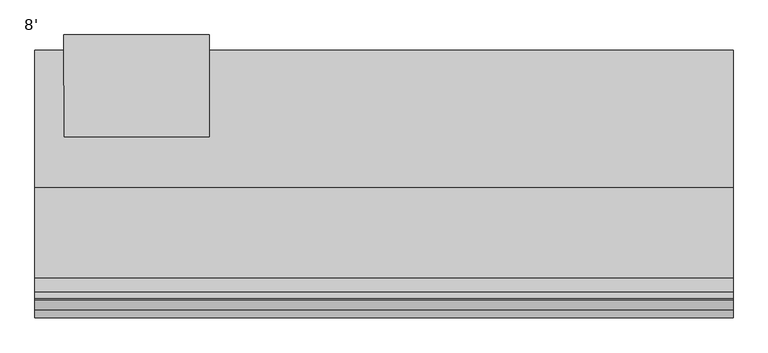
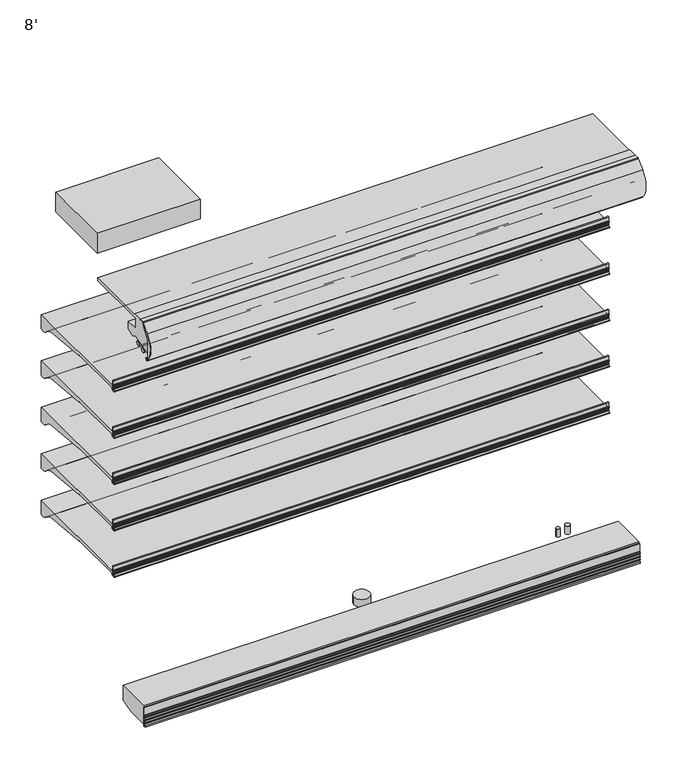
"""IFC4 building model written with IfcOpenShell, lengths in millimetres: proxy geometry, 8'."""

from ifc_helpers import new_model, si_unit, point, frame, frame_2d, origin, place, context, project, spatial, polyline, circle_curve, trimmed, segment, composite_curve, outline, extrude, source, transform, mapped, element, save
from ifc_brep_helpers import plane_surface, cylinder_surface, advanced_brep


def proxy_8_d1885329(model_context):
    return source(origin(), model_context, "Body", "SolidModel", [
        extrude(outline(composite_curve([segment(polyline([(-1166.6809512, 673.3590118), (-1166.6809512, 627.2869913), (-1172.3025077, 627.2869913), (-1172.3025077, 673.3590118)]), True, "CONTINUOUS"), segment(trimmed(circle_curve(frame_2d((-1169.4917294, 673.3590118)), 2.8107783), [point((-1172.3025077, 673.3590118))], [point((-1166.6809512, 673.3590118))], False, "CARTESIAN"), True, "CONTINUOUS")], self_intersect=False)), frame((0.0, 0.0, 0.0), z_axis=(1.0, 0.0, 0.0), x_axis=(0.0, 1.0, 0.0)), (0.0, 0.0, 1.0), 2438.4),
        extrude(outline(composite_curve([segment(trimmed(circle_curve(frame_2d((-1163.4504929, 651.4868368)), 1.9280539), [point((-1161.7517309, 652.3987576))], [point((-1165.331757, 651.9090184))], True, "CARTESIAN"), True, "CONTINUOUS"), segment(polyline([(-1165.331757, 651.9090184), (-1165.250252, 627.491416)]), True, "CONTINUOUS"), segment(trimmed(circle_curve(frame_2d((-1163.3310491, 627.4978222)), 1.9192136), [point((-1165.250252, 627.491416))], [point((-1161.7034586, 626.4808021))], True, "CARTESIAN"), True, "CONTINUOUS"), segment(polyline([(-1161.7034586, 626.4808021), (-1160.7655732, 628.4261116), (-1159.7610244, 628.067256), (-1160.5780157, 625.7802423)]), True, "CONTINUOUS"), segment(trimmed(circle_curve(frame_2d((-1163.9150962, 626.6263023)), 3.4426623), [point((-1160.5780157, 625.7802423))], [point((-1163.425503, 623.2186312))], False, "CARTESIAN"), True, "CONTINUOUS"), segment(polyline([(-1163.425503, 623.2186312), (-1175.1969589, 621.2859884)]), True, "CONTINUOUS"), segment(trimmed(circle_curve(frame_2d((-1176.0623556, 624.8178953)), 3.6363825), [point((-1175.1969589, 621.2859884))], [point((-1176.8707168, 621.2724997))], False, "CARTESIAN"), True, "CONTINUOUS"), segment(trimmed(circle_curve(frame_2d((-1175.662177, 627.6109197)), 6.4526069), [point((-1176.8707168, 621.2724997))], [point((-1181.8828486, 625.8964572))], False, "CARTESIAN"), True, "CONTINUOUS"), segment(trimmed(circle_curve(frame_2d((-1181.3604941, 626.058445)), 0.5468951), [point((-1181.8828486, 625.8964572))], [point((-1180.9789417, 626.450251))], False, "CARTESIAN"), True, "CONTINUOUS"), segment(polyline([(-1180.9789417, 626.450251), (-1180.476531, 624.9916703)]), True, "CONTINUOUS"), segment(trimmed(circle_curve(frame_2d((-1179.8915211, 625.193178)), 0.6187422), [point((-1180.476531, 624.9916703))], [point((-1179.2817387, 625.0882627))], True, "CARTESIAN"), True, "CONTINUOUS"), segment(trimmed(circle_curve(frame_2d((-1200.8573005, 639.2081773)), 25.7852062), [point((-1179.2817387, 625.0882627))], [point((-1175.8138409, 633.0679827))], True, "CARTESIAN"), True, "CONTINUOUS"), segment(trimmed(circle_curve(frame_2d((-1176.043253, 634.0002362)), 0.9600659), [point((-1175.8138409, 633.0679827))], [point((-1175.3385731, 634.6522736))], True, "CARTESIAN"), True, "CONTINUOUS"), segment(polyline([(-1175.3385731, 634.6522736), (-1174.9159447, 637.4202118)]), True, "CONTINUOUS"), segment(trimmed(circle_curve(frame_2d((-1175.2488063, 638.3116775)), 0.9515818), [point((-1174.9159447, 637.4202118))], [point((-1174.7299165, 639.1093373))], True, "CARTESIAN"), True, "CONTINUOUS"), segment(polyline([(-1174.7299165, 639.1093373), (-1174.6443367, 643.2740469), (-1173.8383813, 646.5265397), (-1174.6268164, 646.72591), (-1174.6268164, 651.4923226), (-1175.4872628, 651.4923226)]), True, "CONTINUOUS"), segment(trimmed(circle_curve(frame_2d((-1183.4029864, 648.5576543)), 8.4422129), [point((-1175.4872628, 651.4923226))], [point((-1177.4034441, 654.4970525))], True, "CARTESIAN"), True, "CONTINUOUS"), segment(trimmed(circle_curve(frame_2d((-1177.9034836, 654.120097)), 0.6262068), [point((-1177.4034441, 654.4970525))], [point((-1178.3956204, 654.507313))], True, "CARTESIAN"), True, "CONTINUOUS"), segment(polyline([(-1178.3956204, 654.507313), (-1178.9699684, 652.9277082)]), True, "CONTINUOUS"), segment(trimmed(circle_curve(frame_2d((-1179.4707304, 653.0647503)), 0.5191754), [point((-1178.9699684, 652.9277082))], [point((-1179.9893103, 653.0896108))], False, "CARTESIAN"), True, "CONTINUOUS"), segment(polyline([(-1179.9893103, 653.0896108), (-1179.6344995, 654.0659516), (-1179.0270967, 655.1476351)]), True, "CONTINUOUS"), segment(trimmed(circle_curve(frame_2d((-1177.9637464, 654.6690909)), 1.1660697), [point((-1179.0270967, 655.1476351))], [point((-1178.012063, 655.8341591))], False, "CARTESIAN"), True, "CONTINUOUS"), segment(polyline([(-1178.012063, 655.8341591), (-1172.4315975, 655.8341591), (-1172.7816684, 639.8794823)]), True, "CONTINUOUS"), segment(trimmed(circle_curve(frame_2d((-1204.7325475, 641.2071084)), 31.9784501), [point((-1172.7816684, 639.8794823))], [point((-1175.8839973, 627.4091948))], False, "CARTESIAN"), True, "CONTINUOUS"), segment(trimmed(circle_curve(frame_2d((-1173.5772773, 626.4881969)), 2.4837863), [point((-1175.8839973, 627.4091948))], [point((-1173.3647043, 624.0135238))], True, "CARTESIAN"), True, "CONTINUOUS"), segment(polyline([(-1173.3647043, 624.0135238), (-1168.8550638, 624.7374041)]), True, "CONTINUOUS"), segment(trimmed(circle_curve(frame_2d((-1169.2651209, 627.3013858)), 2.5965648), [point((-1168.8550638, 624.7374041))], [point((-1166.6809512, 627.0479772))], True, "CARTESIAN"), True, "CONTINUOUS"), segment(polyline([(-1166.6809512, 627.0479772), (-1166.6809512, 655.8555063), (-1163.974361, 655.8555063)]), True, "CONTINUOUS"), segment(trimmed(circle_curve(frame_2d((-1164.2104521, 652.5229101)), 3.3409484), [point((-1163.974361, 655.8555063))], [point((-1161.2402611, 654.0525838))], False, "CARTESIAN"), True, "CONTINUOUS"), segment(polyline([(-1161.2402611, 654.0525838), (-1160.0124559, 650.9106294), (-1161.016829, 650.5181429), (-1161.7517309, 652.3987576)]), True, "CONTINUOUS")], self_intersect=False)), frame((0.0, 0.0, 0.0), z_axis=(1.0, 0.0, 0.0), x_axis=(0.0, 1.0, 0.0)), (0.0, 0.0, 1.0), 2438.4),
        extrude(outline(composite_curve([segment(polyline([(-1166.6809512, 914.6590118), (-1166.6809512, 868.5869913), (-1172.3025077, 868.5869913), (-1172.3025077, 914.6590118)]), True, "CONTINUOUS"), segment(trimmed(circle_curve(frame_2d((-1169.4917294, 914.6590118)), 2.8107783), [point((-1172.3025077, 914.6590118))], [point((-1166.6809512, 914.6590118))], False, "CARTESIAN"), True, "CONTINUOUS")], self_intersect=False)), frame((0.0, 0.0, 0.0), z_axis=(1.0, 0.0, 0.0), x_axis=(0.0, 1.0, 0.0)), (0.0, 0.0, 1.0), 2438.4),
        extrude(outline(composite_curve([segment(trimmed(circle_curve(frame_2d((-1163.4504929, 892.7868368)), 1.9280539), [point((-1161.7517309, 893.6987576))], [point((-1165.331757, 893.2090184))], True, "CARTESIAN"), True, "CONTINUOUS"), segment(polyline([(-1165.331757, 893.2090184), (-1165.250252, 868.791416)]), True, "CONTINUOUS"), segment(trimmed(circle_curve(frame_2d((-1163.3310491, 868.7978222)), 1.9192136), [point((-1165.250252, 868.791416))], [point((-1161.7034586, 867.7808021))], True, "CARTESIAN"), True, "CONTINUOUS"), segment(polyline([(-1161.7034586, 867.7808021), (-1160.7655732, 869.7261116), (-1159.7610244, 869.367256), (-1160.5780157, 867.0802423)]), True, "CONTINUOUS"), segment(trimmed(circle_curve(frame_2d((-1163.9150962, 867.9263023)), 3.4426623), [point((-1160.5780157, 867.0802423))], [point((-1163.425503, 864.5186312))], False, "CARTESIAN"), True, "CONTINUOUS"), segment(polyline([(-1163.425503, 864.5186312), (-1175.1969589, 862.5859884)]), True, "CONTINUOUS"), segment(trimmed(circle_curve(frame_2d((-1176.0623556, 866.1178953)), 3.6363825), [point((-1175.1969589, 862.5859884))], [point((-1176.8707168, 862.5724997))], False, "CARTESIAN"), True, "CONTINUOUS"), segment(trimmed(circle_curve(frame_2d((-1175.662177, 868.9109197)), 6.4526069), [point((-1176.8707168, 862.5724997))], [point((-1181.8828486, 867.1964572))], False, "CARTESIAN"), True, "CONTINUOUS"), segment(trimmed(circle_curve(frame_2d((-1181.3604941, 867.358445)), 0.5468951), [point((-1181.8828486, 867.1964572))], [point((-1180.9789417, 867.750251))], False, "CARTESIAN"), True, "CONTINUOUS"), segment(polyline([(-1180.9789417, 867.750251), (-1180.476531, 866.2916703)]), True, "CONTINUOUS"), segment(trimmed(circle_curve(frame_2d((-1179.8915211, 866.493178)), 0.6187422), [point((-1180.476531, 866.2916703))], [point((-1179.2817387, 866.3882627))], True, "CARTESIAN"), True, "CONTINUOUS"), segment(trimmed(circle_curve(frame_2d((-1200.8573005, 880.5081773)), 25.7852062), [point((-1179.2817387, 866.3882627))], [point((-1175.8138409, 874.3679827))], True, "CARTESIAN"), True, "CONTINUOUS"), segment(trimmed(circle_curve(frame_2d((-1176.043253, 875.3002362)), 0.9600659), [point((-1175.8138409, 874.3679827))], [point((-1175.3385731, 875.9522736))], True, "CARTESIAN"), True, "CONTINUOUS"), segment(polyline([(-1175.3385731, 875.9522736), (-1174.9159447, 878.7202118)]), True, "CONTINUOUS"), segment(trimmed(circle_curve(frame_2d((-1175.2488063, 879.6116775)), 0.9515818), [point((-1174.9159447, 878.7202118))], [point((-1174.7299165, 880.4093373))], True, "CARTESIAN"), True, "CONTINUOUS"), segment(polyline([(-1174.7299165, 880.4093373), (-1174.6443367, 884.5740469), (-1173.8383813, 887.8265397), (-1174.6268164, 888.02591), (-1174.6268164, 892.7923226), (-1175.4872628, 892.7923226)]), True, "CONTINUOUS"), segment(trimmed(circle_curve(frame_2d((-1183.4029864, 889.8576543)), 8.4422129), [point((-1175.4872628, 892.7923226))], [point((-1177.4034441, 895.7970525))], True, "CARTESIAN"), True, "CONTINUOUS"), segment(trimmed(circle_curve(frame_2d((-1177.9034836, 895.420097)), 0.6262068), [point((-1177.4034441, 895.7970525))], [point((-1178.3956204, 895.807313))], True, "CARTESIAN"), True, "CONTINUOUS"), segment(polyline([(-1178.3956204, 895.807313), (-1178.9699684, 894.2277082)]), True, "CONTINUOUS"), segment(trimmed(circle_curve(frame_2d((-1179.4707304, 894.3647503)), 0.5191754), [point((-1178.9699684, 894.2277082))], [point((-1179.9893103, 894.3896108))], False, "CARTESIAN"), True, "CONTINUOUS"), segment(polyline([(-1179.9893103, 894.3896108), (-1179.6344995, 895.3659516), (-1179.0270967, 896.4476351)]), True, "CONTINUOUS"), segment(trimmed(circle_curve(frame_2d((-1177.9637464, 895.9690909)), 1.1660697), [point((-1179.0270967, 896.4476351))], [point((-1178.012063, 897.1341591))], False, "CARTESIAN"), True, "CONTINUOUS"), segment(polyline([(-1178.012063, 897.1341591), (-1172.4315975, 897.1341591), (-1172.7816684, 881.1794823)]), True, "CONTINUOUS"), segment(trimmed(circle_curve(frame_2d((-1204.7325475, 882.5071084)), 31.9784501), [point((-1172.7816684, 881.1794823))], [point((-1175.8839973, 868.7091948))], False, "CARTESIAN"), True, "CONTINUOUS"), segment(trimmed(circle_curve(frame_2d((-1173.5772773, 867.7881969)), 2.4837863), [point((-1175.8839973, 868.7091948))], [point((-1173.3647043, 865.3135238))], True, "CARTESIAN"), True, "CONTINUOUS"), segment(polyline([(-1173.3647043, 865.3135238), (-1168.8550638, 866.0374041)]), True, "CONTINUOUS"), segment(trimmed(circle_curve(frame_2d((-1169.2651209, 868.6013858)), 2.5965648), [point((-1168.8550638, 866.0374041))], [point((-1166.6809512, 868.3479772))], True, "CARTESIAN"), True, "CONTINUOUS"), segment(polyline([(-1166.6809512, 868.3479772), (-1166.6809512, 897.1555063), (-1163.974361, 897.1555063)]), True, "CONTINUOUS"), segment(trimmed(circle_curve(frame_2d((-1164.2104521, 893.8229101)), 3.3409484), [point((-1163.974361, 897.1555063))], [point((-1161.2402611, 895.3525838))], False, "CARTESIAN"), True, "CONTINUOUS"), segment(polyline([(-1161.2402611, 895.3525838), (-1160.0124559, 892.2106294), (-1161.016829, 891.8181429), (-1161.7517309, 893.6987576)]), True, "CONTINUOUS")], self_intersect=False)), frame((0.0, 0.0, 0.0), z_axis=(1.0, 0.0, 0.0), x_axis=(0.0, 1.0, 0.0)), (0.0, 0.0, 1.0), 2438.4),
        extrude(outline(composite_curve([segment(polyline([(-1166.6809512, 1155.9590118), (-1166.6809512, 1109.8869913), (-1172.3025077, 1109.8869913), (-1172.3025077, 1155.9590118)]), True, "CONTINUOUS"), segment(trimmed(circle_curve(frame_2d((-1169.4917294, 1155.9590118)), 2.8107783), [point((-1172.3025077, 1155.9590118))], [point((-1166.6809512, 1155.9590118))], False, "CARTESIAN"), True, "CONTINUOUS")], self_intersect=False)), frame((0.0, 0.0, 0.0), z_axis=(1.0, 0.0, 0.0), x_axis=(0.0, 1.0, 0.0)), (0.0, 0.0, 1.0), 2438.4),
        extrude(outline(composite_curve([segment(trimmed(circle_curve(frame_2d((-1163.4504929, 1134.0868368)), 1.9280539), [point((-1161.7517309, 1134.9987576))], [point((-1165.331757, 1134.5090184))], True, "CARTESIAN"), True, "CONTINUOUS"), segment(polyline([(-1165.331757, 1134.5090184), (-1165.250252, 1110.091416)]), True, "CONTINUOUS"), segment(trimmed(circle_curve(frame_2d((-1163.3310491, 1110.0978222)), 1.9192136), [point((-1165.250252, 1110.091416))], [point((-1161.7034586, 1109.0808021))], True, "CARTESIAN"), True, "CONTINUOUS"), segment(polyline([(-1161.7034586, 1109.0808021), (-1160.7655732, 1111.0261116), (-1159.7610244, 1110.667256), (-1160.5780157, 1108.3802423)]), True, "CONTINUOUS"), segment(trimmed(circle_curve(frame_2d((-1163.9150962, 1109.2263023)), 3.4426623), [point((-1160.5780157, 1108.3802423))], [point((-1163.425503, 1105.8186312))], False, "CARTESIAN"), True, "CONTINUOUS"), segment(polyline([(-1163.425503, 1105.8186312), (-1175.1969589, 1103.8859884)]), True, "CONTINUOUS"), segment(trimmed(circle_curve(frame_2d((-1176.0623556, 1107.4178953)), 3.6363825), [point((-1175.1969589, 1103.8859884))], [point((-1176.8707168, 1103.8724997))], False, "CARTESIAN"), True, "CONTINUOUS"), segment(trimmed(circle_curve(frame_2d((-1175.662177, 1110.2109197)), 6.4526069), [point((-1176.8707168, 1103.8724997))], [point((-1181.8828486, 1108.4964572))], False, "CARTESIAN"), True, "CONTINUOUS"), segment(trimmed(circle_curve(frame_2d((-1181.3604941, 1108.658445)), 0.5468951), [point((-1181.8828486, 1108.4964572))], [point((-1180.9789417, 1109.050251))], False, "CARTESIAN"), True, "CONTINUOUS"), segment(polyline([(-1180.9789417, 1109.050251), (-1180.476531, 1107.5916703)]), True, "CONTINUOUS"), segment(trimmed(circle_curve(frame_2d((-1179.8915211, 1107.793178)), 0.6187422), [point((-1180.476531, 1107.5916703))], [point((-1179.2817387, 1107.6882627))], True, "CARTESIAN"), True, "CONTINUOUS"), segment(trimmed(circle_curve(frame_2d((-1200.8573005, 1121.8081773)), 25.7852062), [point((-1179.2817387, 1107.6882627))], [point((-1175.8138409, 1115.6679827))], True, "CARTESIAN"), True, "CONTINUOUS"), segment(trimmed(circle_curve(frame_2d((-1176.043253, 1116.6002362)), 0.9600659), [point((-1175.8138409, 1115.6679827))], [point((-1175.3385731, 1117.2522736))], True, "CARTESIAN"), True, "CONTINUOUS"), segment(polyline([(-1175.3385731, 1117.2522736), (-1174.9159447, 1120.0202118)]), True, "CONTINUOUS"), segment(trimmed(circle_curve(frame_2d((-1175.2488063, 1120.9116775)), 0.9515818), [point((-1174.9159447, 1120.0202118))], [point((-1174.7299165, 1121.7093373))], True, "CARTESIAN"), True, "CONTINUOUS"), segment(polyline([(-1174.7299165, 1121.7093373), (-1174.6443367, 1125.8740469), (-1173.8383813, 1129.1265397), (-1174.6268164, 1129.32591), (-1174.6268164, 1134.0923226), (-1175.4872628, 1134.0923226)]), True, "CONTINUOUS"), segment(trimmed(circle_curve(frame_2d((-1183.4029864, 1131.1576543)), 8.4422129), [point((-1175.4872628, 1134.0923226))], [point((-1177.4034441, 1137.0970525))], True, "CARTESIAN"), True, "CONTINUOUS"), segment(trimmed(circle_curve(frame_2d((-1177.9034836, 1136.720097)), 0.6262068), [point((-1177.4034441, 1137.0970525))], [point((-1178.3956204, 1137.107313))], True, "CARTESIAN"), True, "CONTINUOUS"), segment(polyline([(-1178.3956204, 1137.107313), (-1178.9699684, 1135.5277082)]), True, "CONTINUOUS"), segment(trimmed(circle_curve(frame_2d((-1179.4707304, 1135.6647503)), 0.5191754), [point((-1178.9699684, 1135.5277082))], [point((-1179.9893103, 1135.6896108))], False, "CARTESIAN"), True, "CONTINUOUS"), segment(polyline([(-1179.9893103, 1135.6896108), (-1179.6344995, 1136.6659516), (-1179.0270967, 1137.7476351)]), True, "CONTINUOUS"), segment(trimmed(circle_curve(frame_2d((-1177.9637464, 1137.2690909)), 1.1660697), [point((-1179.0270967, 1137.7476351))], [point((-1178.012063, 1138.4341591))], False, "CARTESIAN"), True, "CONTINUOUS"), segment(polyline([(-1178.012063, 1138.4341591), (-1172.4315975, 1138.4341591), (-1172.7816684, 1122.4794823)]), True, "CONTINUOUS"), segment(trimmed(circle_curve(frame_2d((-1204.7325475, 1123.8071084)), 31.9784501), [point((-1172.7816684, 1122.4794823))], [point((-1175.8839973, 1110.0091948))], False, "CARTESIAN"), True, "CONTINUOUS"), segment(trimmed(circle_curve(frame_2d((-1173.5772773, 1109.0881969)), 2.4837863), [point((-1175.8839973, 1110.0091948))], [point((-1173.3647043, 1106.6135238))], True, "CARTESIAN"), True, "CONTINUOUS"), segment(polyline([(-1173.3647043, 1106.6135238), (-1168.8550638, 1107.3374041)]), True, "CONTINUOUS"), segment(trimmed(circle_curve(frame_2d((-1169.2651209, 1109.9013858)), 2.5965648), [point((-1168.8550638, 1107.3374041))], [point((-1166.6809512, 1109.6479772))], True, "CARTESIAN"), True, "CONTINUOUS"), segment(polyline([(-1166.6809512, 1109.6479772), (-1166.6809512, 1138.4555063), (-1163.974361, 1138.4555063)]), True, "CONTINUOUS"), segment(trimmed(circle_curve(frame_2d((-1164.2104521, 1135.1229101)), 3.3409484), [point((-1163.974361, 1138.4555063))], [point((-1161.2402611, 1136.6525838))], False, "CARTESIAN"), True, "CONTINUOUS"), segment(polyline([(-1161.2402611, 1136.6525838), (-1160.0124559, 1133.5106294), (-1161.016829, 1133.1181429), (-1161.7517309, 1134.9987576)]), True, "CONTINUOUS")], self_intersect=False)), frame((0.0, 0.0, 0.0), z_axis=(1.0, 0.0, 0.0), x_axis=(0.0, 1.0, 0.0)), (0.0, 0.0, 1.0), 2438.4),
        extrude(outline(composite_curve([segment(polyline([(-1166.6809512, 1397.2590118), (-1166.6809512, 1351.1869913), (-1172.3025077, 1351.1869913), (-1172.3025077, 1397.2590118)]), True, "CONTINUOUS"), segment(trimmed(circle_curve(frame_2d((-1169.4917294, 1397.2590118)), 2.8107783), [point((-1172.3025077, 1397.2590118))], [point((-1166.6809512, 1397.2590118))], False, "CARTESIAN"), True, "CONTINUOUS")], self_intersect=False)), frame((0.0, 0.0, 0.0), z_axis=(1.0, 0.0, 0.0), x_axis=(0.0, 1.0, 0.0)), (0.0, 0.0, 1.0), 2438.4),
        extrude(outline(composite_curve([segment(trimmed(circle_curve(frame_2d((-1163.4504929, 1375.3868368)), 1.9280539), [point((-1161.7517309, 1376.2987576))], [point((-1165.331757, 1375.8090184))], True, "CARTESIAN"), True, "CONTINUOUS"), segment(polyline([(-1165.331757, 1375.8090184), (-1165.250252, 1351.391416)]), True, "CONTINUOUS"), segment(trimmed(circle_curve(frame_2d((-1163.3310491, 1351.3978222)), 1.9192136), [point((-1165.250252, 1351.391416))], [point((-1161.7034586, 1350.3808021))], True, "CARTESIAN"), True, "CONTINUOUS"), segment(polyline([(-1161.7034586, 1350.3808021), (-1160.7655732, 1352.3261116), (-1159.7610244, 1351.967256), (-1160.5780157, 1349.6802423)]), True, "CONTINUOUS"), segment(trimmed(circle_curve(frame_2d((-1163.9150962, 1350.5263023)), 3.4426623), [point((-1160.5780157, 1349.6802423))], [point((-1163.425503, 1347.1186312))], False, "CARTESIAN"), True, "CONTINUOUS"), segment(polyline([(-1163.425503, 1347.1186312), (-1175.1969589, 1345.1859884)]), True, "CONTINUOUS"), segment(trimmed(circle_curve(frame_2d((-1176.0623556, 1348.7178953)), 3.6363825), [point((-1175.1969589, 1345.1859884))], [point((-1176.8707168, 1345.1724997))], False, "CARTESIAN"), True, "CONTINUOUS"), segment(trimmed(circle_curve(frame_2d((-1175.662177, 1351.5109197)), 6.4526069), [point((-1176.8707168, 1345.1724997))], [point((-1181.8828486, 1349.7964572))], False, "CARTESIAN"), True, "CONTINUOUS"), segment(trimmed(circle_curve(frame_2d((-1181.3604941, 1349.958445)), 0.5468951), [point((-1181.8828486, 1349.7964572))], [point((-1180.9789417, 1350.350251))], False, "CARTESIAN"), True, "CONTINUOUS"), segment(polyline([(-1180.9789417, 1350.350251), (-1180.476531, 1348.8916703)]), True, "CONTINUOUS"), segment(trimmed(circle_curve(frame_2d((-1179.8915211, 1349.093178)), 0.6187422), [point((-1180.476531, 1348.8916703))], [point((-1179.2817387, 1348.9882627))], True, "CARTESIAN"), True, "CONTINUOUS"), segment(trimmed(circle_curve(frame_2d((-1200.8573005, 1363.1081773)), 25.7852062), [point((-1179.2817387, 1348.9882627))], [point((-1175.8138409, 1356.9679827))], True, "CARTESIAN"), True, "CONTINUOUS"), segment(trimmed(circle_curve(frame_2d((-1176.043253, 1357.9002362)), 0.9600659), [point((-1175.8138409, 1356.9679827))], [point((-1175.3385731, 1358.5522736))], True, "CARTESIAN"), True, "CONTINUOUS"), segment(polyline([(-1175.3385731, 1358.5522736), (-1174.9159447, 1361.3202118)]), True, "CONTINUOUS"), segment(trimmed(circle_curve(frame_2d((-1175.2488063, 1362.2116775)), 0.9515818), [point((-1174.9159447, 1361.3202118))], [point((-1174.7299165, 1363.0093373))], True, "CARTESIAN"), True, "CONTINUOUS"), segment(polyline([(-1174.7299165, 1363.0093373), (-1174.6443367, 1367.1740469), (-1173.8383813, 1370.4265397), (-1174.6268164, 1370.62591), (-1174.6268164, 1375.3923226), (-1175.4872628, 1375.3923226)]), True, "CONTINUOUS"), segment(trimmed(circle_curve(frame_2d((-1183.4029864, 1372.4576543)), 8.4422129), [point((-1175.4872628, 1375.3923226))], [point((-1177.4034441, 1378.3970525))], True, "CARTESIAN"), True, "CONTINUOUS"), segment(trimmed(circle_curve(frame_2d((-1177.9034836, 1378.020097)), 0.6262068), [point((-1177.4034441, 1378.3970525))], [point((-1178.3956204, 1378.407313))], True, "CARTESIAN"), True, "CONTINUOUS"), segment(polyline([(-1178.3956204, 1378.407313), (-1178.9699684, 1376.8277082)]), True, "CONTINUOUS"), segment(trimmed(circle_curve(frame_2d((-1179.4707304, 1376.9647503)), 0.5191754), [point((-1178.9699684, 1376.8277082))], [point((-1179.9893103, 1376.9896108))], False, "CARTESIAN"), True, "CONTINUOUS"), segment(polyline([(-1179.9893103, 1376.9896108), (-1179.6344995, 1377.9659516), (-1179.0270967, 1379.0476351)]), True, "CONTINUOUS"), segment(trimmed(circle_curve(frame_2d((-1177.9637464, 1378.5690909)), 1.1660697), [point((-1179.0270967, 1379.0476351))], [point((-1178.012063, 1379.7341591))], False, "CARTESIAN"), True, "CONTINUOUS"), segment(polyline([(-1178.012063, 1379.7341591), (-1172.4315975, 1379.7341591), (-1172.7816684, 1363.7794823)]), True, "CONTINUOUS"), segment(trimmed(circle_curve(frame_2d((-1204.7325475, 1365.1071084)), 31.9784501), [point((-1172.7816684, 1363.7794823))], [point((-1175.8839973, 1351.3091948))], False, "CARTESIAN"), True, "CONTINUOUS"), segment(trimmed(circle_curve(frame_2d((-1173.5772773, 1350.3881969)), 2.4837863), [point((-1175.8839973, 1351.3091948))], [point((-1173.3647043, 1347.9135238))], True, "CARTESIAN"), True, "CONTINUOUS"), segment(polyline([(-1173.3647043, 1347.9135238), (-1168.8550638, 1348.6374041)]), True, "CONTINUOUS"), segment(trimmed(circle_curve(frame_2d((-1169.2651209, 1351.2013858)), 2.5965648), [point((-1168.8550638, 1348.6374041))], [point((-1166.6809512, 1350.9479772))], True, "CARTESIAN"), True, "CONTINUOUS"), segment(polyline([(-1166.6809512, 1350.9479772), (-1166.6809512, 1379.7555063), (-1163.974361, 1379.7555063)]), True, "CONTINUOUS"), segment(trimmed(circle_curve(frame_2d((-1164.2104521, 1376.4229101)), 3.3409484), [point((-1163.974361, 1379.7555063))], [point((-1161.2402611, 1377.9525838))], False, "CARTESIAN"), True, "CONTINUOUS"), segment(polyline([(-1161.2402611, 1377.9525838), (-1160.0124559, 1374.8106294), (-1161.016829, 1374.4181429), (-1161.7517309, 1376.2987576)]), True, "CONTINUOUS")], self_intersect=False)), frame((0.0, 0.0, 0.0), z_axis=(1.0, 0.0, 0.0), x_axis=(0.0, 1.0, 0.0)), (0.0, 0.0, 1.0), 2438.4),
        extrude(outline(composite_curve([segment(polyline([(-1401.9895748, 2098.675), (-1422.2402351, 2098.675)]), True, "CONTINUOUS"), segment(trimmed(circle_curve(frame_2d((-1422.2402351, 2094.2009254)), 4.4740745), [point((-1422.2402351, 2098.675))], [point((-1425.458615, 2097.3088788))], True, "CARTESIAN"), True, "CONTINUOUS"), segment(polyline([(-1425.458615, 2097.3088788), (-1460.7854536, 2060.7268666)]), True, "CONTINUOUS"), segment(trimmed(circle_curve(frame_2d((-1388.5044641, 1990.9259263)), 100.4824), [point((-1460.7854536, 2060.7268666))], [point((-1469.2767016, 2050.6968084))], True, "CARTESIAN"), True, "CONTINUOUS"), segment(trimmed(circle_curve(frame_2d((-1388.5044641, 1990.9259263)), 100.4824), [point((-1469.2767016, 2050.6968084))], [point((-1461.9926392, 1922.3970943))], True, "CARTESIAN"), True, "CONTINUOUS"), segment(trimmed(circle_curve(frame_2d((-1458.1659041, 1925.9655825)), 5.2324), [point((-1461.9926392, 1922.3970943))], [point((-1454.4660386, 1922.265717))], True, "CARTESIAN"), True, "CONTINUOUS"), segment(polyline([(-1454.4660386, 1922.265717), (-1447.8924911, 1928.8392645), (-1446.4556502, 1927.4024235), (-1453.0291976, 1920.828876)]), True, "CONTINUOUS"), segment(trimmed(circle_curve(frame_2d((-1458.1659041, 1925.9655825)), 7.2644), [point((-1453.0291976, 1920.828876))], [point((-1463.47875, 1921.0112736))], False, "CARTESIAN"), True, "CONTINUOUS"), segment(trimmed(circle_curve(frame_2d((-1388.5044641, 1990.9259263)), 102.5144), [point((-1463.47875, 1921.0112736))], [point((-1462.2471521, 2062.1384124))], False, "CARTESIAN"), True, "CONTINUOUS"), segment(polyline([(-1462.2471521, 2062.1384124), (-1427.6113468, 2098.0048387)]), True, "CONTINUOUS"), segment(trimmed(circle_curve(frame_2d((-1422.3857748, 2092.9585624)), 7.2644), [point((-1427.6113468, 2098.0048387))], [point((-1422.3857748, 2100.2229624))], False, "CARTESIAN"), True, "CONTINUOUS"), segment(polyline([(-1422.3857748, 2100.2229624), (-1401.9895748, 2100.2229624), (-1401.9895748, 2098.675)]), True, "CONTINUOUS")], self_intersect=False)), frame((0.0, 0.0, 0.0), z_axis=(1.0, 0.0, 0.0), x_axis=(0.0, 1.0, 0.0)), (0.0, 0.0, 1.0), 2438.4),
        extrude(outline(composite_curve([segment(trimmed(circle_curve(frame_2d((-1382.6450033, 1963.4468051)), 11.1125), [point((-1393.7574982, 1963.4361068))], [point((-1371.5325085, 1963.4575034))], False, "CARTESIAN"), True, "CONTINUOUS"), segment(trimmed(circle_curve(frame_2d((-1382.6450033, 1963.4468051)), 11.1125), [point((-1371.5325085, 1963.4575034))], [point((-1393.7574982, 1963.4361068))], False, "CARTESIAN"), True, "CONTINUOUS")], self_intersect=False)), frame((0.0, 0.0, 0.0), z_axis=(1.0, 0.0, 0.0), x_axis=(0.0, 1.0, 0.0)), (0.0, 0.0, 1.0), 2438.4),
        extrude(outline(composite_curve([segment(trimmed(circle_curve(frame_2d((-1422.7955513, 1952.5918872)), 11.1125), [point((-1433.9080461, 1952.5811889))], [point((-1411.6830564, 1952.6025854))], False, "CARTESIAN"), True, "CONTINUOUS"), segment(trimmed(circle_curve(frame_2d((-1422.7955513, 1952.5918872)), 11.1125), [point((-1411.6830564, 1952.6025854))], [point((-1433.9080461, 1952.5811889))], False, "CARTESIAN"), True, "CONTINUOUS")], self_intersect=False)), frame((0.0, 0.0, 0.0), z_axis=(1.0, 0.0, 0.0), x_axis=(0.0, 1.0, 0.0)), (0.0, 0.0, 1.0), 2438.4),
        extrude(outline(composite_curve([segment(polyline([(-1421.4795117, 2098.675), (-1353.1925343, 2098.675), (-1353.1925343, 2094.407711), (-1036.8679254, 2094.407711), (-1036.8679254, 2079.9361513), (-1361.2177409, 2079.9361513), (-1361.2177409, 2029.1361513), (-1300.8277259, 2029.1361513), (-1300.8277259, 1989.1126887), (-1337.1349866, 1975.8979266), (-1362.075082, 1987.5276841), (-1465.8717206, 1959.7154586), (-1465.8717206, 1929.2913231)]), True, "CONTINUOUS"), segment(trimmed(circle_curve(frame_2d((-1464.2842206, 1929.2913231)), 1.5875), [point((-1465.8717206, 1929.2913231))], [point((-1464.8010601, 1927.7903123))], True, "CARTESIAN"), True, "CONTINUOUS"), segment(polyline([(-1464.8010601, 1927.7903123), (-1454.6095723, 1924.2811017)]), True, "CONTINUOUS"), segment(trimmed(circle_curve(frame_2d((-1454.0927328, 1925.7821124)), 1.5875), [point((-1454.6095723, 1924.2811017))], [point((-1452.9702008, 1924.6595804))], True, "CARTESIAN"), True, "CONTINUOUS"), segment(polyline([(-1452.9702008, 1924.6595804), (-1449.6242529, 1928.0055284)]), True, "CONTINUOUS"), segment(trimmed(circle_curve(frame_2d((-1449.3997464, 1927.781022)), 0.3175), [point((-1449.6242529, 1928.0055284))], [point((-1449.17524, 1927.5565156))], False, "CARTESIAN"), True, "CONTINUOUS"), segment(polyline([(-1449.17524, 1927.5565156), (-1452.521188, 1924.2105676)]), True, "CONTINUOUS"), segment(trimmed(circle_curve(frame_2d((-1454.0927328, 1925.7821124)), 2.2225), [point((-1452.521188, 1924.2105676))], [point((-1454.8163081, 1923.6806974))], False, "CARTESIAN"), True, "CONTINUOUS"), segment(polyline([(-1454.8163081, 1923.6806974), (-1465.0077959, 1927.189908)]), True, "CONTINUOUS"), segment(trimmed(circle_curve(frame_2d((-1464.2842206, 1929.2913231)), 2.2225), [point((-1465.0077959, 1927.189908))], [point((-1466.5067206, 1929.2913231))], False, "CARTESIAN"), True, "CONTINUOUS"), segment(polyline([(-1466.5067206, 1929.2913231), (-1466.5067206, 2031.5920746), (-1432.9095117, 2079.5738616), (-1432.9095117, 2083.5097624), (-1421.4795117, 2094.6095624), (-1421.4795117, 2098.675)]), True, "CONTINUOUS")], self_intersect=False)), frame((0.0, 0.0, 0.0), z_axis=(1.0, 0.0, 0.0), x_axis=(0.0, 1.0, 0.0)), (0.0, 0.0, 1.0), 2438.4),
        extrude(outline(polyline([(609.6, -502.5186137), (609.6, -858.1186137), (101.6, -858.1186137), (101.6, -502.5186137), (609.6, -502.5186137)])), frame((0.0, 0.0, 2079.9361513), z_axis=(0.0, 0.0, 1.0), x_axis=(1.0, 0.0, 0.0)), (0.0, 0.0, 1.0), 102.0572),
        extrude(outline(composite_curve([segment(polyline([(-1430.4508502, 0.0), (-1442.1812873, 0.0), (-1442.1812873, 8.4852001)]), True, "CONTINUOUS"), segment(trimmed(circle_curve(frame_2d((-1443.1437506, 15.2920025)), 6.8745105), [point((-1442.1812873, 8.4852001))], [point((-1436.5835392, 13.2371249))], True, "CARTESIAN"), True, "CONTINUOUS"), segment(polyline([(-1436.5835392, 13.2371249), (-1434.9883529, 18.9518946), (-1440.3853294, 17.8570836), (-1441.3969712, 17.8570836), (-1441.3969712, 24.300662)]), True, "CONTINUOUS"), segment(trimmed(circle_curve(frame_2d((-1443.6384576, 31.1512245)), 7.2079448), [point((-1441.3969712, 24.300662))], [point((-1436.7586105, 29.001301))], True, "CARTESIAN"), True, "CONTINUOUS"), segment(polyline([(-1436.7586105, 29.001301), (-1434.9883529, 34.6662009), (-1440.3853294, 33.5713898), (-1441.3969712, 33.5713898), (-1441.3969712, 40.0149682)]), True, "CONTINUOUS"), segment(trimmed(circle_curve(frame_2d((-1443.6751786, 46.9017652)), 7.2538404), [point((-1441.3969712, 40.0149682))], [point((-1436.7586105, 44.7156073))], True, "CARTESIAN"), True, "CONTINUOUS"), segment(polyline([(-1436.7586105, 44.7156073), (-1434.9883529, 50.3163494), (-1440.3853294, 49.2857909), (-1441.3969712, 49.2857909), (-1441.3969712, 55.7293693)]), True, "CONTINUOUS"), segment(trimmed(circle_curve(frame_2d((-1441.0936844, 61.292491)), 5.5713828), [point((-1441.3969712, 55.7293693))], [point((-1437.1434491, 57.3636302))], True, "CARTESIAN"), True, "CONTINUOUS"), segment(polyline([(-1437.1434491, 57.3636302), (-1437.1434491, 59.2060524), (-1437.1434491, 98.81235), (-1430.4508502, 98.81235), (-1430.4508502, 0.0)]), True, "CONTINUOUS")], self_intersect=False)), frame((0.0, 0.0, 0.0), z_axis=(1.0, 0.0, 0.0), x_axis=(0.0, 1.0, 0.0)), (0.0, 0.0, 1.0), 2438.4),
        extrude(outline(composite_curve([segment(polyline([(-1166.6809512, 1638.5590118), (-1166.6809512, 1592.4869913), (-1172.3025077, 1592.4869913), (-1172.3025077, 1638.5590118)]), True, "CONTINUOUS"), segment(trimmed(circle_curve(frame_2d((-1169.4917294, 1638.5590118)), 2.8107783), [point((-1172.3025077, 1638.5590118))], [point((-1166.6809512, 1638.5590118))], False, "CARTESIAN"), True, "CONTINUOUS")], self_intersect=False)), frame((0.0, 0.0, 0.0), z_axis=(1.0, 0.0, 0.0), x_axis=(0.0, 1.0, 0.0)), (0.0, 0.0, 1.0), 2438.4),
        extrude(outline(composite_curve([segment(trimmed(circle_curve(frame_2d((-1163.4504929, 1616.6868368)), 1.9280539), [point((-1161.7517309, 1617.5987576))], [point((-1165.331757, 1617.1090184))], True, "CARTESIAN"), True, "CONTINUOUS"), segment(polyline([(-1165.331757, 1617.1090184), (-1165.250252, 1592.691416)]), True, "CONTINUOUS"), segment(trimmed(circle_curve(frame_2d((-1163.3310491, 1592.6978222)), 1.9192136), [point((-1165.250252, 1592.691416))], [point((-1161.7034586, 1591.6808021))], True, "CARTESIAN"), True, "CONTINUOUS"), segment(polyline([(-1161.7034586, 1591.6808021), (-1160.7655732, 1593.6261116), (-1159.7610244, 1593.267256), (-1160.5780157, 1590.9802423)]), True, "CONTINUOUS"), segment(trimmed(circle_curve(frame_2d((-1163.9150962, 1591.8263023)), 3.4426623), [point((-1160.5780157, 1590.9802423))], [point((-1163.425503, 1588.4186312))], False, "CARTESIAN"), True, "CONTINUOUS"), segment(polyline([(-1163.425503, 1588.4186312), (-1175.1969589, 1586.4859884)]), True, "CONTINUOUS"), segment(trimmed(circle_curve(frame_2d((-1176.0623556, 1590.0178953)), 3.6363825), [point((-1175.1969589, 1586.4859884))], [point((-1176.8707168, 1586.4724997))], False, "CARTESIAN"), True, "CONTINUOUS"), segment(trimmed(circle_curve(frame_2d((-1175.662177, 1592.8109197)), 6.4526069), [point((-1176.8707168, 1586.4724997))], [point((-1181.8828486, 1591.0964572))], False, "CARTESIAN"), True, "CONTINUOUS"), segment(trimmed(circle_curve(frame_2d((-1181.3604941, 1591.258445)), 0.5468951), [point((-1181.8828486, 1591.0964572))], [point((-1180.9789417, 1591.650251))], False, "CARTESIAN"), True, "CONTINUOUS"), segment(polyline([(-1180.9789417, 1591.650251), (-1180.476531, 1590.1916703)]), True, "CONTINUOUS"), segment(trimmed(circle_curve(frame_2d((-1179.8915211, 1590.393178)), 0.6187422), [point((-1180.476531, 1590.1916703))], [point((-1179.2817387, 1590.2882627))], True, "CARTESIAN"), True, "CONTINUOUS"), segment(trimmed(circle_curve(frame_2d((-1200.8573005, 1604.4081773)), 25.7852062), [point((-1179.2817387, 1590.2882627))], [point((-1175.8138409, 1598.2679827))], True, "CARTESIAN"), True, "CONTINUOUS"), segment(trimmed(circle_curve(frame_2d((-1176.043253, 1599.2002362)), 0.9600659), [point((-1175.8138409, 1598.2679827))], [point((-1175.3385731, 1599.8522736))], True, "CARTESIAN"), True, "CONTINUOUS"), segment(polyline([(-1175.3385731, 1599.8522736), (-1174.9159447, 1602.6202118)]), True, "CONTINUOUS"), segment(trimmed(circle_curve(frame_2d((-1175.2488063, 1603.5116775)), 0.9515818), [point((-1174.9159447, 1602.6202118))], [point((-1174.7299165, 1604.3093373))], True, "CARTESIAN"), True, "CONTINUOUS"), segment(polyline([(-1174.7299165, 1604.3093373), (-1174.6443367, 1608.4740469), (-1173.8383813, 1611.7265397), (-1174.6268164, 1611.92591), (-1174.6268164, 1616.6923226), (-1175.4872628, 1616.6923226)]), True, "CONTINUOUS"), segment(trimmed(circle_curve(frame_2d((-1183.4029864, 1613.7576543)), 8.4422129), [point((-1175.4872628, 1616.6923226))], [point((-1177.4034441, 1619.6970525))], True, "CARTESIAN"), True, "CONTINUOUS"), segment(trimmed(circle_curve(frame_2d((-1177.9034836, 1619.320097)), 0.6262068), [point((-1177.4034441, 1619.6970525))], [point((-1178.3956204, 1619.707313))], True, "CARTESIAN"), True, "CONTINUOUS"), segment(polyline([(-1178.3956204, 1619.707313), (-1178.9699684, 1618.1277082)]), True, "CONTINUOUS"), segment(trimmed(circle_curve(frame_2d((-1179.4707304, 1618.2647503)), 0.5191754), [point((-1178.9699684, 1618.1277082))], [point((-1179.9893103, 1618.2896108))], False, "CARTESIAN"), True, "CONTINUOUS"), segment(polyline([(-1179.9893103, 1618.2896108), (-1179.6344995, 1619.2659516), (-1179.0270967, 1620.3476351)]), True, "CONTINUOUS"), segment(trimmed(circle_curve(frame_2d((-1177.9637464, 1619.8690909)), 1.1660697), [point((-1179.0270967, 1620.3476351))], [point((-1178.012063, 1621.0341591))], False, "CARTESIAN"), True, "CONTINUOUS"), segment(polyline([(-1178.012063, 1621.0341591), (-1172.4315975, 1621.0341591), (-1172.7816684, 1605.0794823)]), True, "CONTINUOUS"), segment(trimmed(circle_curve(frame_2d((-1204.7325475, 1606.4071084)), 31.9784501), [point((-1172.7816684, 1605.0794823))], [point((-1175.8839973, 1592.6091948))], False, "CARTESIAN"), True, "CONTINUOUS"), segment(trimmed(circle_curve(frame_2d((-1173.5772773, 1591.6881969)), 2.4837863), [point((-1175.8839973, 1592.6091948))], [point((-1173.3647043, 1589.2135238))], True, "CARTESIAN"), True, "CONTINUOUS"), segment(polyline([(-1173.3647043, 1589.2135238), (-1168.8550638, 1589.9374041)]), True, "CONTINUOUS"), segment(trimmed(circle_curve(frame_2d((-1169.2651209, 1592.5013858)), 2.5965648), [point((-1168.8550638, 1589.9374041))], [point((-1166.6809512, 1592.2479772))], True, "CARTESIAN"), True, "CONTINUOUS"), segment(polyline([(-1166.6809512, 1592.2479772), (-1166.6809512, 1621.0555063), (-1163.974361, 1621.0555063)]), True, "CONTINUOUS"), segment(trimmed(circle_curve(frame_2d((-1164.2104521, 1617.7229101)), 3.3409484), [point((-1163.974361, 1621.0555063))], [point((-1161.2402611, 1619.2525838))], False, "CARTESIAN"), True, "CONTINUOUS"), segment(polyline([(-1161.2402611, 1619.2525838), (-1160.0124559, 1616.1106294), (-1161.016829, 1615.7181429), (-1161.7517309, 1617.5987576)]), True, "CONTINUOUS")], self_intersect=False)), frame((0.0, 0.0, 0.0), z_axis=(1.0, 0.0, 0.0), x_axis=(0.0, 1.0, 0.0)), (0.0, 0.0, 1.0), 2438.4),
        extrude(outline(composite_curve([segment(polyline([(-555.6910045, 571.547791), (-574.0670246, 571.2353274)]), True, "CONTINUOUS"), segment(trimmed(circle_curve(frame_2d((-574.4988606, 596.6316562)), 25.4), [point((-574.0670246, 571.2353274))], [point((-590.4762169, 576.8861735))], False, "CARTESIAN"), True, "CONTINUOUS"), segment(polyline([(-590.4762169, 576.8861735), (-608.328278, 591.331439)]), True, "CONTINUOUS"), segment(trimmed(circle_curve(frame_2d((-648.2716687, 541.9677323)), 63.5), [point((-608.328278, 591.331439))], [point((-640.3737874, 604.9746642))], True, "CARTESIAN"), True, "CONTINUOUS"), segment(polyline([(-640.3737874, 604.9746642), (-880.2379219, 628.6718016), (-881.7266984, 632.1123537), (-1165.2910045, 632.1123537), (-1165.2910045, 646.3363537), (-555.6910045, 646.3363537), (-555.6910045, 571.547791)]), True, "CONTINUOUS")], self_intersect=False)), frame((0.0, 0.0, 0.0), z_axis=(1.0, 0.0, 0.0), x_axis=(0.0, 1.0, 0.0)), (0.0, 0.0, 1.0), 2438.4),
        extrude(outline(composite_curve([segment(polyline([(-555.6910045, 812.847791), (-574.0670246, 812.5353274)]), True, "CONTINUOUS"), segment(trimmed(circle_curve(frame_2d((-574.4988606, 837.9316562)), 25.4), [point((-574.0670246, 812.5353274))], [point((-590.4762169, 818.1861735))], False, "CARTESIAN"), True, "CONTINUOUS"), segment(polyline([(-590.4762169, 818.1861735), (-608.328278, 832.631439)]), True, "CONTINUOUS"), segment(trimmed(circle_curve(frame_2d((-648.2716687, 783.2677323)), 63.5), [point((-608.328278, 832.631439))], [point((-640.3737874, 846.2746642))], True, "CARTESIAN"), True, "CONTINUOUS"), segment(polyline([(-640.3737874, 846.2746642), (-880.2379219, 869.9718016), (-881.7266984, 873.4123537), (-1165.2910045, 873.4123537), (-1165.2910045, 887.6363537), (-555.6910045, 887.6363537), (-555.6910045, 812.847791)]), True, "CONTINUOUS")], self_intersect=False)), frame((0.0, 0.0, 0.0), z_axis=(1.0, 0.0, 0.0), x_axis=(0.0, 1.0, 0.0)), (0.0, 0.0, 1.0), 2438.4),
        extrude(outline(composite_curve([segment(polyline([(-555.6910045, 1054.147791), (-574.0670246, 1053.8353274)]), True, "CONTINUOUS"), segment(trimmed(circle_curve(frame_2d((-574.4988606, 1079.2316562)), 25.4), [point((-574.0670246, 1053.8353274))], [point((-590.4762169, 1059.4861735))], False, "CARTESIAN"), True, "CONTINUOUS"), segment(polyline([(-590.4762169, 1059.4861735), (-608.328278, 1073.931439)]), True, "CONTINUOUS"), segment(trimmed(circle_curve(frame_2d((-648.2716687, 1024.5677323)), 63.5), [point((-608.328278, 1073.931439))], [point((-640.3737874, 1087.5746642))], True, "CARTESIAN"), True, "CONTINUOUS"), segment(polyline([(-640.3737874, 1087.5746642), (-880.2379219, 1111.2718016), (-881.7266984, 1114.7123537), (-1165.2910045, 1114.7123537), (-1165.2910045, 1128.9363537), (-555.6910045, 1128.9363537), (-555.6910045, 1054.147791)]), True, "CONTINUOUS")], self_intersect=False)), frame((0.0, 0.0, 0.0), z_axis=(1.0, 0.0, 0.0), x_axis=(0.0, 1.0, 0.0)), (0.0, 0.0, 1.0), 2438.4),
        extrude(outline(composite_curve([segment(polyline([(-555.6910045, 1295.447791), (-574.0670246, 1295.1353274)]), True, "CONTINUOUS"), segment(trimmed(circle_curve(frame_2d((-574.4988606, 1320.5316562)), 25.4), [point((-574.0670246, 1295.1353274))], [point((-590.4762169, 1300.7861735))], False, "CARTESIAN"), True, "CONTINUOUS"), segment(polyline([(-590.4762169, 1300.7861735), (-608.328278, 1315.231439)]), True, "CONTINUOUS"), segment(trimmed(circle_curve(frame_2d((-648.2716687, 1265.8677323)), 63.5), [point((-608.328278, 1315.231439))], [point((-640.3737874, 1328.8746642))], True, "CARTESIAN"), True, "CONTINUOUS"), segment(polyline([(-640.3737874, 1328.8746642), (-880.2379219, 1352.5718016), (-881.7266984, 1356.0123537), (-1165.2910045, 1356.0123537), (-1165.2910045, 1370.2363537), (-555.6910045, 1370.2363537), (-555.6910045, 1295.447791)]), True, "CONTINUOUS")], self_intersect=False)), frame((0.0, 0.0, 0.0), z_axis=(1.0, 0.0, 0.0), x_axis=(0.0, 1.0, 0.0)), (0.0, 0.0, 1.0), 2438.4),
        extrude(outline(composite_curve([segment(polyline([(-555.6910045, 1536.747791), (-574.0670246, 1536.4353274)]), True, "CONTINUOUS"), segment(trimmed(circle_curve(frame_2d((-574.4988606, 1561.8316562)), 25.4), [point((-574.0670246, 1536.4353274))], [point((-590.4762169, 1542.0861735))], False, "CARTESIAN"), True, "CONTINUOUS"), segment(polyline([(-590.4762169, 1542.0861735), (-608.328278, 1556.531439)]), True, "CONTINUOUS"), segment(trimmed(circle_curve(frame_2d((-648.2716687, 1507.1677323)), 63.5), [point((-608.328278, 1556.531439))], [point((-640.3737874, 1570.1746642))], True, "CARTESIAN"), True, "CONTINUOUS"), segment(polyline([(-640.3737874, 1570.1746642), (-880.2379219, 1593.8718016), (-881.7266984, 1597.3123537), (-1165.2910045, 1597.3123537), (-1165.2910045, 1611.5363537), (-555.6910045, 1611.5363537), (-555.6910045, 1536.747791)]), True, "CONTINUOUS")], self_intersect=False)), frame((0.0, 0.0, 0.0), z_axis=(1.0, 0.0, 0.0), x_axis=(0.0, 1.0, 0.0)), (0.0, 0.0, 1.0), 2438.4),
        extrude(outline(polyline([(638.175, -1315.9089273), (638.175, -1417.5089273), (127.0, -1417.5089273), (127.0, -1315.9089273), (638.175, -1315.9089273)])), frame((0.0, 0.0, 63.88735), z_axis=(0.0, 0.0, 1.0), x_axis=(1.0, 0.0, 0.0)), (0.0, 0.0, 1.0), 6.35),
        advanced_brep(
        [(2438.4, -1429.7142502, 105.16235), (2438.4, -1429.7142502, 12.46632), (2438.4, -1425.7518502, 8.50392), (2438.4, -1323.5320893, 8.50392), (2438.4, -1254.2383502, 27.0711214), (2438.4, -1254.2383502, 105.16235), (0.0, -1429.7142502, 105.16235), (0.0, -1254.2383502, 105.16235), (0.0, -1254.2383502, 27.0711214), (0.0, -1323.5320893, 8.50392), (0.0, -1425.7518502, 8.50392), (0.0, -1429.7142502, 12.46632), (127.0, -1323.5320893, 8.50392), (127.0, -1417.5089273, 8.50392), (638.175, -1417.5089273, 8.50392), (638.175, -1323.5320893, 8.50392), (638.175, -1315.9089273, 10.5465401), (127.0, -1315.9089273, 10.5465401), (638.175, -1315.9089273, 70.23735), (638.175, -1417.5089273, 70.23735), (127.0, -1417.5089273, 70.23735), (127.0, -1315.9089273, 70.23735)],
        [
            (0, 1),
            (1, 2, circle_curve(frame((2438.4, -1425.7518502, 12.46632), z_axis=(1.0, 0.0, 0.0), x_axis=(0.0, 1.0, 0.0)), 3.9624)),
            (2, 3),
            (3, 4),
            (4, 5),
            (5, 0),
            (6, 7),
            (7, 8),
            (8, 9),
            (9, 10),
            (10, 11, circle_curve(frame((0.0, -1425.7518502, 12.46632), z_axis=(-1.0, 0.0, 0.0), x_axis=(0.0, 1.0, 0.0)), 3.9624)),
            (11, 6),
            (0, 6),
            (11, 1),
            (10, 2),
            (9, 12),
            (12, 13),
            (13, 14),
            (14, 15),
            (15, 3),
            (15, 16),
            (16, 17),
            (17, 12),
            (8, 4),
            (7, 5),
            (18, 19),
            (19, 20),
            (20, 21),
            (21, 18),
            (21, 17),
            (16, 18),
            (20, 13),
            (19, 14),
        ],
        [
            plane_surface(frame((2438.4, -1429.7142502, 12.46632), z_axis=(1.0, 0.0, 0.0), x_axis=(0.0, 0.0, -1.0))),
            plane_surface(frame((0.0, -1429.7142502, 12.46632), z_axis=(-1.0, 0.0, 0.0), x_axis=(0.0, 0.0, 1.0))),
            plane_surface(frame((2438.4, -1429.7142502, 105.16235), z_axis=(0.0, -1.0, 0.0), x_axis=(-1.0, 0.0, 0.0))),
            cylinder_surface(frame((0.0, -1425.7518502, 12.46632), z_axis=(1.0, 0.0, 0.0), x_axis=(0.0, 1.0, 0.0)), 3.9624),
            plane_surface(frame((2438.4, -1425.7518502, 8.50392), z_axis=(0.0, 0.0, -1.0), x_axis=(-1.0, 0.0, 0.0))),
            plane_surface(frame((2438.4, -1323.5320893, 8.50392), z_axis=(0.0, 0.25881904513087156, -0.9659258262814717), x_axis=(-1.0, 0.0, 0.0))),
            plane_surface(frame((2438.4, -1254.2383502, 27.0711214), z_axis=(0.0, 1.0, 0.0), x_axis=(-1.0, 0.0, 0.0))),
            plane_surface(frame((2438.4, -1254.2383502, 105.16235), z_axis=(0.0, 0.0, 1.0), x_axis=(-1.0, 0.0, 0.0))),
            plane_surface(frame((127.0, -1315.9089273, 70.23735), z_axis=(0.0, 0.0, -1.0), x_axis=(-1.0, 0.0, 0.0))),
            plane_surface(frame((638.175, -1315.9089273, 70.23735), z_axis=(0.0, -1.0, 0.0), x_axis=(0.0, 0.0, -1.0))),
            plane_surface(frame((127.0, -1315.9089273, 70.23735), z_axis=(1.0, 0.0, 0.0), x_axis=(0.0, 0.0, -1.0))),
            plane_surface(frame((127.0, -1417.5089273, 70.23735), z_axis=(0.0, 1.0, 0.0), x_axis=(0.0, 0.0, -1.0))),
            plane_surface(frame((638.175, -1417.5089273, 70.23735), z_axis=(-1.0, 0.0, 0.0), x_axis=(0.0, 0.0, -1.0))),
        ],
        [
            (0, [[1, 2, 3, 4, 5, 6]]),
            (1, [[7, 8, 9, 10, 11, 12]]),
            (2, [[-1, 13, -12, 14]]),
            (3, [[-2, -14, -11, 15]]),
            (4, [[-3, -15, -10, 16, 17, 18, 19, 20]]),
            (5, [[-4, -20, 21, 22, 23, -16, -9, 24]]),
            (6, [[-5, -24, -8, 25]]),
            (7, [[-6, -25, -7, -13]]),
            (8, [[26, 27, 28, 29]]),
            (9, [[-29, 30, -22, 31]]),
            (10, [[-28, 32, -17, -23, -30]]),
            (11, [[-27, 33, -18, -32]]),
            (12, [[-26, -31, -21, -19, -33]]),
        ],
    ),
        extrude(outline(composite_curve([segment(trimmed(circle_curve(frame_2d((2238.4853711, -1168.5133502)), 12.7), [point((2225.7853711, -1168.5133502))], [point((2251.1853711, -1168.5133502))], False, "CARTESIAN"), True, "CONTINUOUS"), segment(trimmed(circle_curve(frame_2d((2238.4853711, -1168.5133502)), 12.7), [point((2251.1853711, -1168.5133502))], [point((2225.7853711, -1168.5133502))], False, "CARTESIAN"), True, "CONTINUOUS")], self_intersect=False)), frame((0.0, 0.0, 64.436704), z_axis=(0.0, 0.0, 1.0), x_axis=(1.0, 0.0, 0.0)), (0.0, 0.0, 1.0), 40.725646),
        extrude(outline(composite_curve([segment(trimmed(circle_curve(frame_2d((2191.6942706, -1168.5133502)), 9.525), [point((2182.1692706, -1168.5133502))], [point((2201.2192706, -1168.5133502))], False, "CARTESIAN"), True, "CONTINUOUS"), segment(trimmed(circle_curve(frame_2d((2191.6942706, -1168.5133502)), 9.525), [point((2201.2192706, -1168.5133502))], [point((2182.1692706, -1168.5133502))], False, "CARTESIAN"), True, "CONTINUOUS")], self_intersect=False)), frame((0.0, 0.0, 64.436704), z_axis=(0.0, 0.0, 1.0), x_axis=(1.0, 0.0, 0.0)), (0.0, 0.0, 1.0), 40.725646),
        extrude(outline(composite_curve([segment(trimmed(circle_curve(frame_2d((1219.2, -1178.0383502)), 38.1), [point((1181.1, -1178.0383502))], [point((1257.3, -1178.0383502))], False, "CARTESIAN"), True, "CONTINUOUS"), segment(trimmed(circle_curve(frame_2d((1219.2, -1178.0383502)), 38.1), [point((1257.3, -1178.0383502))], [point((1181.1, -1178.0383502))], False, "CARTESIAN"), True, "CONTINUOUS")], self_intersect=False)), frame((0.0, 0.0, 64.436704), z_axis=(0.0, 0.0, 1.0), x_axis=(1.0, 0.0, 0.0)), (0.0, 0.0, 1.0), 40.725646),
    ])


if __name__ == "__main__":
    model = new_model("IFC4")
    model_context = context("Model", 3, world=origin())
    ifc_project = project(units=[si_unit("LENGTHUNIT", "METRE", prefix="MILLI")], contexts=[model_context])
    site = spatial("IfcSite", under=ifc_project)
    building = spatial("IfcBuilding", under=site)
    placement = place(None, origin())
    proxy_8_shape = proxy_8_d1885329(model_context)
    element("IfcBuildingElementProxy", 1, Name="8'", ObjectType="8'", at=placement, inside=building, context=model_context, shape_type="MappedRepresentation", body=[
        mapped(proxy_8_shape, transform((0.0, 0.0, 0.0), x_axis=(1.0, 0.0, 0.0), y_axis=(0.0, 1.0, 0.0), z_axis=(0.0, 0.0, 1.0))),
    ])
    save(model, "model.ifc")
